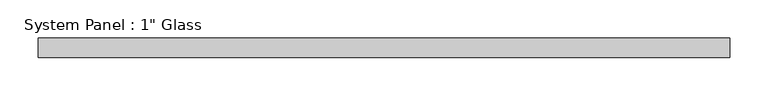
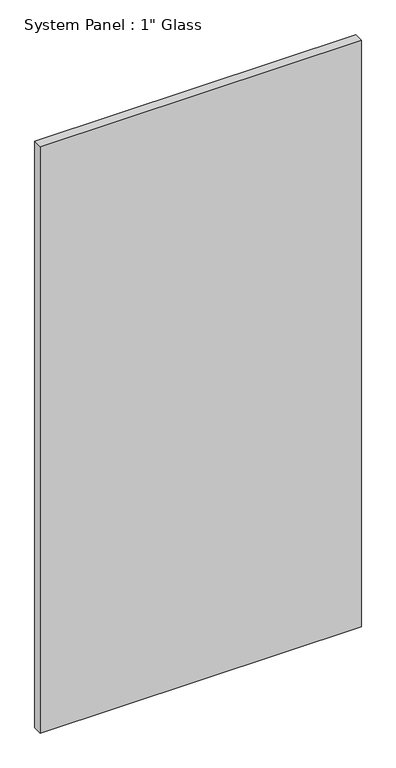
"""IFC4 building model written with IfcOpenShell, lengths in millimetres: plate geometry."""

from ifc_helpers import new_model, si_unit, origin, origin_with_axes, place, context, project, spatial, polyline, outline, extrude, source, transform, mapped, element, save


def plate_7d9e5a3a(model_context):
    return source(origin(), model_context, "Body", "SweptSolid", [
        extrude(outline(polyline([(450.85, -12.7), (-450.85, -12.7), (-450.85, 12.7), (450.85, 12.7), (450.85, -12.7)])), origin_with_axes(), (0.0, 0.0, 1.0), 1739.9),
    ])


if __name__ == "__main__":
    model = new_model("IFC4")
    model_context = context("Model", 3, world=origin())
    ifc_project = project(units=[si_unit("LENGTHUNIT", "METRE", prefix="MILLI")], contexts=[model_context])
    site = spatial("IfcSite", under=ifc_project)
    building = spatial("IfcBuilding", under=site)
    placement = place(None, origin())
    plate_shape = plate_7d9e5a3a(model_context)
    element("IfcPlate", 1, ObjectType="System Panel : 1\" Glass", at=placement, inside=building, context=model_context, shape_type="MappedRepresentation", body=[
        mapped(plate_shape, transform((0.0, 0.0, 0.0), x_axis=(1.0, 0.0, 0.0), y_axis=(0.0, 1.0, 0.0), z_axis=(0.0, 0.0, 1.0))),
    ])
    save(model, "model.ifc")
